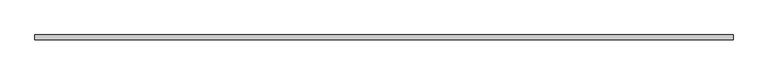
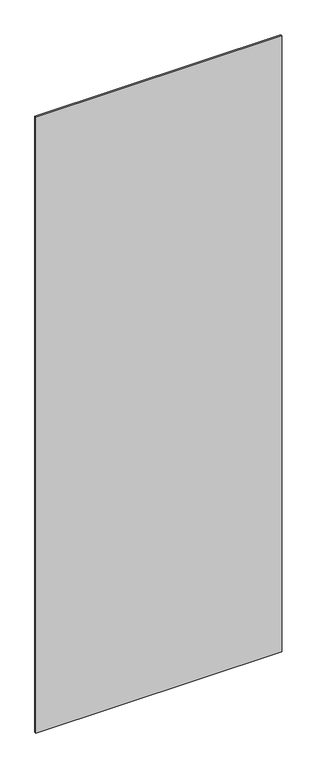
"""IFC4 building model written with IfcOpenShell, lengths in millimetres: plate geometry."""

from ifc_helpers import new_model, si_unit, origin, origin_with_axes, place, context, project, spatial, polyline, outline, extrude, source, transform, mapped, element, save


def plate_61c00f2e(model_context):
    return source(origin(), model_context, "Body", "SweptSolid", [
        extrude(outline(polyline([(728.4635004, -5.0), (-728.4635004, -5.0), (-728.4635004, 5.0), (728.4635004, 5.0), (728.4635004, -5.0)])), origin_with_axes(), (0.0, 0.0, 1.0), 3860.0),
    ])


if __name__ == "__main__":
    model = new_model("IFC4")
    model_context = context("Model", 3, world=origin())
    ifc_project = project(units=[si_unit("LENGTHUNIT", "METRE", prefix="MILLI")], contexts=[model_context])
    site = spatial("IfcSite", under=ifc_project)
    building = spatial("IfcBuilding", under=site)
    placement = place(None, origin())
    plate_shape = plate_61c00f2e(model_context)
    element("IfcPlate", 1, at=placement, inside=building, context=model_context, shape_type="MappedRepresentation", body=[
        mapped(plate_shape, transform((0.0, 0.0, 0.0), x_axis=(1.0, 0.0, 0.0), y_axis=(0.0, 1.0, 0.0), z_axis=(0.0, 0.0, 1.0))),
    ])
    save(model, "model.ifc")
